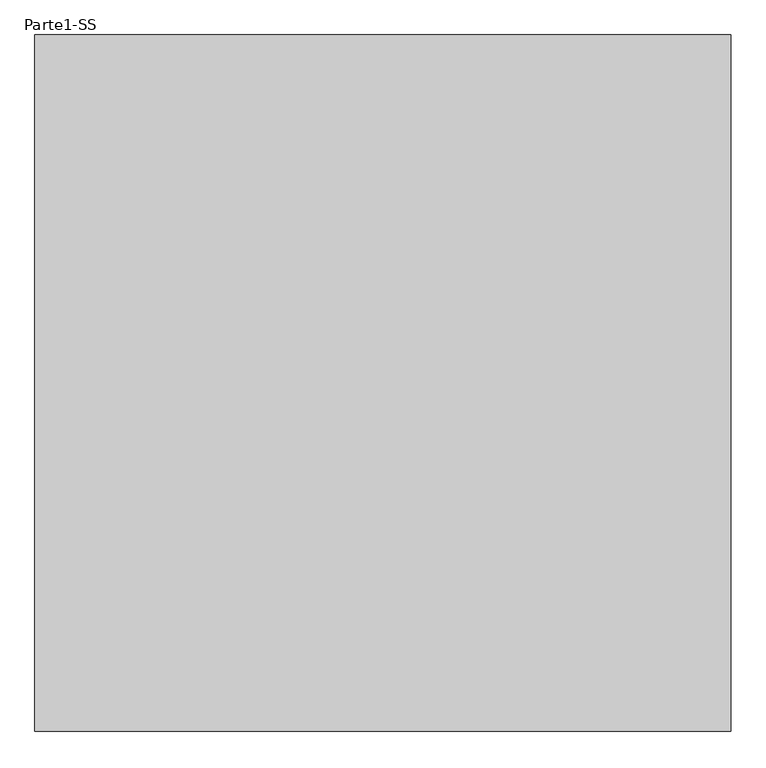
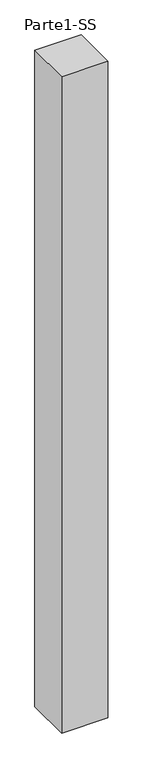
"""IFC4 building model written with IfcOpenShell, lengths in millimetres: proxy geometry, Parte1-SS."""

from ifc_helpers import new_model, si_unit, frame, origin, place, context, project, spatial, polyline, outline, extrude, source, transform, mapped, element, save


def parte1_ss_4bb62a88(model_context):
    return source(origin(), model_context, "Body", "SweptSolid", [
        extrude(outline(polyline([(4000.0, 4000.0), (4000.0, 0.0), (0.0, 0.0), (0.0, 4000.0), (4000.0, 4000.0)])), frame((0.0, 0.0, 25000.0), z_axis=(0.0, 0.0, 1.0), x_axis=(1.0, 0.0, 0.0)), (0.0, 0.0, 1.0), 60000.0),
    ])


if __name__ == "__main__":
    model = new_model("IFC4")
    model_context = context("Model", 3, world=origin())
    ifc_project = project(units=[si_unit("LENGTHUNIT", "METRE", prefix="MILLI")], contexts=[model_context])
    site = spatial("IfcSite", under=ifc_project)
    building = spatial("IfcBuilding", under=site)
    placement = place(None, origin())
    parte1_ss_shape = parte1_ss_4bb62a88(model_context)
    element("IfcBuildingElementProxy", 1, Name="Parte1-SS", ObjectType="Parte1-SS", at=placement, inside=building, context=model_context, shape_type="MappedRepresentation", body=[
        mapped(parte1_ss_shape, transform((0.0, 0.0, 0.0), x_axis=(1.0, 0.0, 0.0), y_axis=(0.0, 1.0, 0.0), z_axis=(0.0, 0.0, 1.0))),
    ])
    save(model, "model.ifc")
